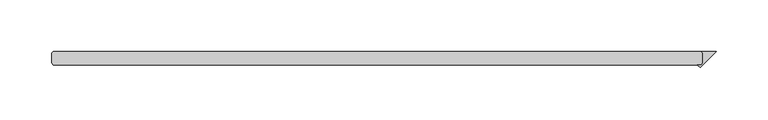
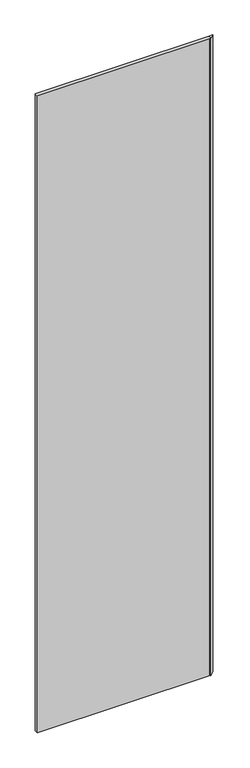
"""IFC4 building model written with IfcOpenShell, lengths in millimetres: plate geometry."""

from ifc_helpers import new_model, si_unit, origin, origin_with_axes, place, context, project, spatial, polyline, outline, extrude, source, transform, mapped, element, save


def plate_5e7a91c7(model_context):
    return source(origin(), model_context, "Body", "SweptSolid", [
        extrude(outline(polyline([(310.753125, 4.7625), (309.165625, 6.35), (323.453125, 6.35), (308.043093, -9.060032), (305.333061, -6.35), (309.165625, -6.35), (310.753125, -4.7625), (310.753125, 4.7625)])), origin_with_axes(), (0.0, 0.0, 1.0), 2427.1914267),
        extrude(outline(polyline([(309.165625, 6.35), (310.753125, 4.7625), (310.753125, -4.7625), (309.165625, -6.35), (-315.515625, -6.35), (-317.103125, -4.7625), (-317.103125, 4.7625), (-315.515625, 6.35), (309.165625, 6.35)])), origin_with_axes(), (0.0, 0.0, 1.0), 2427.1914267),
    ])


if __name__ == "__main__":
    model = new_model("IFC4")
    model_context = context("Model", 3, world=origin())
    ifc_project = project(units=[si_unit("LENGTHUNIT", "METRE", prefix="MILLI")], contexts=[model_context])
    site = spatial("IfcSite", under=ifc_project)
    building = spatial("IfcBuilding", under=site)
    placement = place(None, origin())
    plate_shape = plate_5e7a91c7(model_context)
    element("IfcPlate", 1, at=placement, inside=building, context=model_context, shape_type="MappedRepresentation", body=[
        mapped(plate_shape, transform((0.0, 0.0, 0.0), x_axis=(1.0, 0.0, 0.0), y_axis=(0.0, 1.0, 0.0), z_axis=(0.0, 0.0, 1.0))),
    ])
    save(model, "model.ifc")
